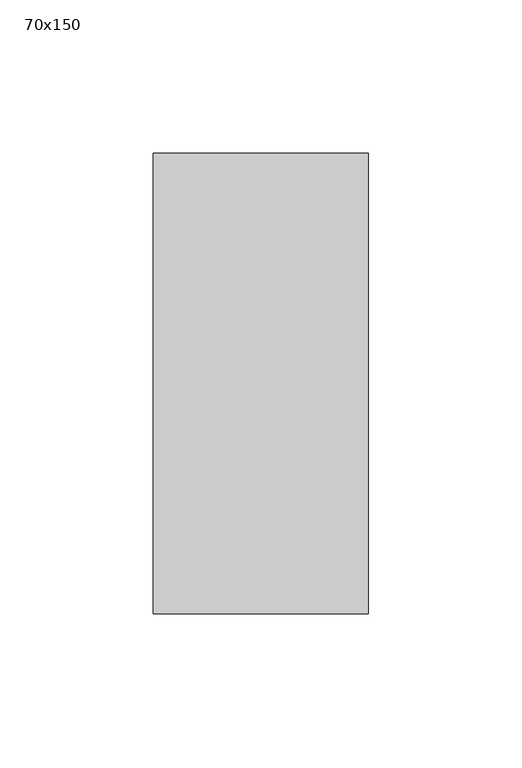
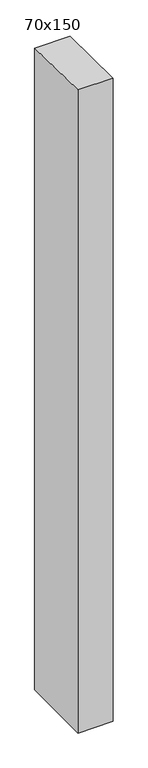
"""IFC4 building model written with IfcOpenShell, lengths in millimetres: member geometry, 70x150."""

from ifc_helpers import new_model, si_unit, frame, origin, place, context, project, spatial, polyline, outline, extrude, source, transform, mapped, element, save


def member_70x150_c22fedda(model_context):
    return source(origin(), model_context, "Body", "SweptSolid", [
        extrude(outline(polyline([(-75.0, 1.6445347), (75.0, -1.6445347), (75.0, -1354.3695227), (-75.0, -1354.3695227), (-75.0, 1.6445347)])), frame((-70.0, 0.0, 0.0), z_axis=(1.0, 0.0, 0.0), x_axis=(0.0, 1.0, 0.0)), (0.0, 0.0, 1.0), 70.0),
    ])


if __name__ == "__main__":
    model = new_model("IFC4")
    model_context = context("Model", 3, world=origin())
    ifc_project = project(units=[si_unit("LENGTHUNIT", "METRE", prefix="MILLI")], contexts=[model_context])
    site = spatial("IfcSite", under=ifc_project)
    building = spatial("IfcBuilding", under=site)
    placement = place(None, origin())
    member_70x150_shape = member_70x150_c22fedda(model_context)
    element("IfcMember", 1, ObjectType="70x150", at=placement, inside=building, context=model_context, shape_type="MappedRepresentation", body=[
        mapped(member_70x150_shape, transform((0.0, 0.0, 0.0), x_axis=(1.0, 0.0, 0.0), y_axis=(0.0, 1.0, 0.0), z_axis=(0.0, 0.0, 1.0))),
    ])
    save(model, "model.ifc")
